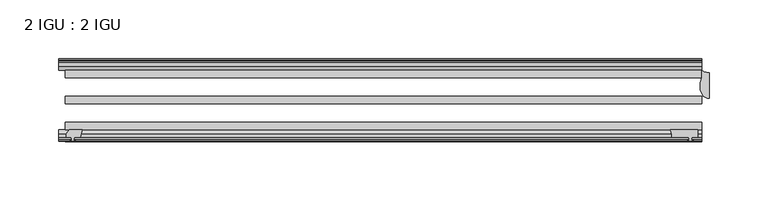
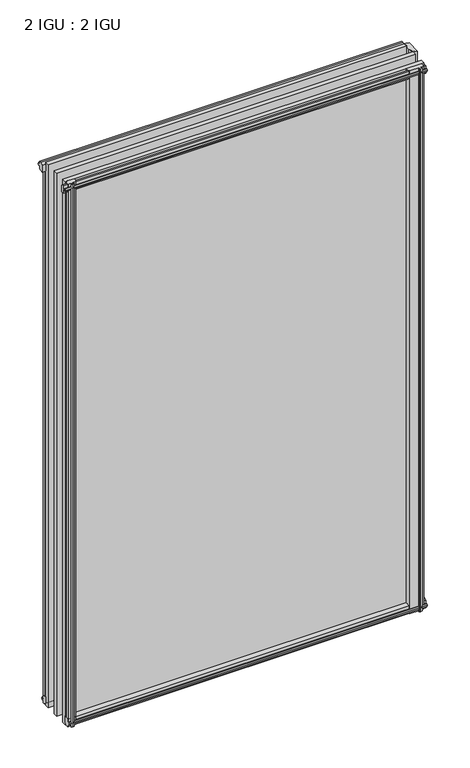
"""IFC4 building model written with IfcOpenShell, lengths in millimetres: plate geometry, 2 IGU : 2 IGU."""

from ifc_helpers import new_model, si_unit, point, frame, frame_2d, origin, origin_with_axes, place, context, project, spatial, polyline, circle_curve, ellipse_curve, trimmed, segment, composite_curve, outline, extrude, source, transform, mapped, element, save
from ifc_brep_helpers import plane_surface, cylinder_surface, revolved_surface, extruded_surface, advanced_brep


def plate_2_igu_2_igu_bca019f8(model_context):
    return source(origin(), model_context, "Body", "SolidModel", [
        extrude(outline(polyline([(-249.1072819, -69.9960936), (-250.825, -76.3460936), (-256.032, -76.3460936), (-256.413, -78.7262905), (-254.9974709, -78.2663573), (-254.9974709, -79.0675715), (-257.175, -79.7750936), (-259.3525291, -79.0675715), (-259.3525291, -78.2663573), (-257.937, -78.7262905), (-258.318, -76.3460936), (-262.763, -76.3460936), (-262.763, -73.3996936), (-259.9286578, -69.9960936), (-249.1072819, -69.9960936)])), frame((0.0, 0.0, -12.303125), z_axis=(0.0, 0.0, 1.0), x_axis=(1.0, 0.0, 0.0)), (0.0, 0.0, 1.0), 862.961825),
        advanced_brep(
        [(282.575, -21.2713143, -12.303125), (282.575, -43.2929845, -12.303125), (275.0104224, -33.7460937, -12.303125), (276.225, -25.8960937, -12.303125), (276.225, -19.5460937, -12.303125), (282.575, -21.2713143, 850.9), (276.225, -19.5460937, 850.9), (276.225, -25.8960937, 850.9), (275.0104224, -33.7460937, 850.9), (282.575, -43.2929845, 850.9)],
        [
            (0, 1),
            (1, 2, ellipse_curve(frame((282.575, -33.7460937, -12.303125), z_axis=(0.0, 0.0, -1.0), x_axis=(0.0, 1.0, 0.0)), 9.5468907, 7.5645776)),
            (2, 3, circle_curve(frame((300.9855831, -33.7460937, -12.303125), z_axis=(0.0, 0.0, -1.0), x_axis=(1.0, 0.0, 0.0)), 25.9751607)),
            (3, 4),
            (4, 0, circle_curve(frame((282.575, -8.7225169, -12.303125), z_axis=(0.0, 0.0, 1.0), x_axis=(1.0, 0.0, 0.0)), 12.5487974)),
            (5, 6, circle_curve(frame((282.575, -8.7225169, 850.9), z_axis=(0.0, 0.0, -1.0), x_axis=(1.0, 0.0, 0.0)), 12.5487974)),
            (6, 7),
            (7, 8, circle_curve(frame((300.9855831, -33.7460937, 850.9), z_axis=(0.0, 0.0, 1.0), x_axis=(1.0, 0.0, 0.0)), 25.9751607)),
            (8, 9, ellipse_curve(frame((282.575, -33.7460937, 850.9), z_axis=(0.0, 0.0, 1.0), x_axis=(0.0, 1.0, 0.0)), 9.5468907, 7.5645776)),
            (9, 5),
            (0, 5),
            (9, 1),
            (8, 2),
            (7, 3),
            (6, 4),
        ],
        [
            plane_surface(frame((282.575, -13.1960937, -12.303125), z_axis=(0.0, 0.0, -1.0), x_axis=(0.0, 1.0, 0.0))),
            plane_surface(frame((282.575, -13.1960937, 850.9), z_axis=(0.0, 0.0, 1.0), x_axis=(0.0, 1.0, 0.0))),
            plane_surface(frame((282.575, -21.2713143, -12.303125), z_axis=(1.0, 0.0, 0.0), x_axis=(0.0, 0.0, 1.0))),
            extruded_surface(trimmed(ellipse_curve(frame((282.575, -33.7460937, 850.9), z_axis=(0.0, 0.0, -1.0), x_axis=(0.0, 1.0, 0.0)), 9.5468907, 7.5645776), [point((282.575, -43.2929845, 850.9))], [point((275.0104224, -33.7460937, 850.9))], True, "CARTESIAN"), (0.0, 0.0, -863.203125), 863.203125),
            cylinder_surface(frame((300.9855831, -33.7460937, -12.303125), z_axis=(0.0, 0.0, -1.0), x_axis=(1.0, 0.0, 0.0)), 25.9751607),
            plane_surface(frame((276.225, -25.8960937, -12.303125), z_axis=(-1.0, 0.0, 0.0), x_axis=(0.0, 0.0, 1.0))),
            revolved_surface(polyline([(295.1237974, -8.7225169, 850.9), (295.1237974, -8.7225169, -12.303125)]), (282.575, -8.7225169, -12.303125), (0.0, 0.0, 1.0)),
        ],
        [
            (0, [[1, 2, 3, 4, 5]]),
            (1, [[6, 7, 8, 9, 10]]),
            (2, [[-1, 11, -10, 12]]),
            (3, [[-2, -12, -9, 13]]),
            (4, [[-3, -13, -8, 14]]),
            (5, [[-4, -14, -7, 15]]),
            (6, [[-5, -15, -6, -11]]),
        ],
    ),
        extrude(outline(composite_curve([segment(polyline([(249.8412713, -69.9960936), (273.05, -69.9960936), (273.05, -76.3460936), (267.97, -76.3460936), (267.6525, -78.4506955), (268.8711059, -78.124171), (269.0749, -78.884741), (266.7, -79.5210936), (264.3251, -78.884741), (264.5288941, -78.124171), (265.7475, -78.4506955), (265.43, -76.3460936), (250.825, -76.3460936)]), True, "CONTINUOUS"), segment(trimmed(circle_curve(frame_2d((238.4838743, -75.0067563)), 12.4135896), [point((250.825, -76.3460936))], [point((249.8412713, -69.9960936))], True, "CARTESIAN"), True, "CONTINUOUS")], self_intersect=False)), frame((0.0, 0.0, -12.4587), z_axis=(0.0, 0.0, 1.0), x_axis=(1.0, 0.0, 0.0)), (0.0, 0.0, 1.0), 863.1174),
        extrude(outline(polyline([(-19.5460937, 1.5938931), (-13.1960937, -0.123825), (-13.1960937, -5.330825), (-10.8158968, -5.711825), (-11.27583, -4.2962959), (-10.4746158, -4.2962959), (-9.7670937, -6.473825), (-10.4746158, -8.6513541), (-11.27583, -8.6513541), (-10.8158968, -7.235825), (-13.1960937, -7.616825), (-13.1960937, -12.061825), (-16.1424937, -12.061825), (-19.5460937, -9.2274828), (-19.5460937, 1.5938931)])), frame((-263.525, 0.0, 0.0), z_axis=(1.0, 0.0, 0.0), x_axis=(0.0, 1.0, 0.0)), (0.0, 0.0, 1.0), 539.75),
        extrude(outline(polyline([(-69.9960936, 2.1145931), (-69.9960936, -8.7067828), (-73.3996936, -11.541125), (-76.3460936, -11.541125), (-76.3460936, -7.096125), (-78.7262905, -6.715125), (-78.2663573, -8.1306541), (-79.0675715, -8.1306541), (-79.7750936, -5.953125), (-79.0675715, -3.7755959), (-78.2663573, -3.7755959), (-78.7262905, -5.191125), (-76.3460936, -4.810125), (-76.3460936, 0.396875), (-69.9960936, 2.1145931)])), frame((-263.525, 0.0, 0.0), z_axis=(1.0, 0.0, 0.0), x_axis=(0.0, 1.0, 0.0)), (0.0, 0.0, 1.0), 539.75),
        extrude(outline(polyline([(-10.8158968, 845.8327), (-11.27583, 847.2482291), (-10.4746158, 847.2482291), (-9.7670937, 845.0707), (-10.4746158, 842.8931709), (-11.27583, 842.8931709), (-10.8158968, 844.3087), (-13.1960937, 843.9277), (-13.1960937, 838.7207), (-19.5460937, 837.0029819), (-19.5460937, 847.8243578), (-16.1424937, 850.6587), (-13.1960937, 850.6587), (-13.1960937, 846.2137), (-10.8158968, 845.8327)])), frame((-268.8711059, 0.0, 0.0), z_axis=(1.0, 0.0, 0.0), x_axis=(0.0, 1.0, 0.0)), (0.0, 0.0, 1.0), 545.0961059),
        extrude(outline(polyline([(-76.3460936, 850.138), (-73.3996936, 850.138), (-69.9960936, 847.3036578), (-69.9960936, 836.4822819), (-76.3460936, 838.2), (-76.3460936, 843.407), (-78.7262905, 843.788), (-78.2663573, 842.3724709), (-79.0675715, 842.3724709), (-79.7750936, 844.55), (-79.0675715, 846.7275291), (-78.2663573, 846.7275291), (-78.7262905, 845.312), (-76.3460936, 845.693), (-76.3460936, 850.138)])), frame((-268.8711059, 0.0, 0.0), z_axis=(1.0, 0.0, 0.0), x_axis=(0.0, 1.0, 0.0)), (0.0, 0.0, 1.0), 545.0961059),
        extrude(outline(polyline([(-257.6957, -9.7670937), (-255.5181709, -10.4746158), (-255.5181709, -11.27583), (-256.9337, -10.8158968), (-256.5527, -13.1960937), (-251.3457, -13.1960937), (-249.6279819, -19.5460937), (-260.4493578, -19.5460937), (-263.2837, -16.1424937), (-263.2837, -13.1960937), (-258.8387, -13.1960937), (-258.4577, -10.8158968), (-259.8732291, -11.27583), (-259.8732291, -10.4746158), (-257.6957, -9.7670937)])), origin_with_axes(), (0.0, 0.0, 1.0), 838.2),
        extrude(outline(polyline([(276.225, -19.5460937), (276.225, -25.8960937), (-263.525, -25.8960937), (-263.525, -19.5460937), (276.225, -19.5460937)])), frame((0.0, 0.0, -12.303125), z_axis=(0.0, 0.0, 1.0), x_axis=(1.0, 0.0, 0.0)), (0.0, 0.0, 1.0), 863.203125),
        extrude(outline(polyline([(-263.525, -41.5960937), (276.225, -41.5960937), (276.225, -47.9460937), (-263.525, -47.9460937), (-263.525, -41.5960937)])), frame((0.0, 0.0, -12.303125), z_axis=(0.0, 0.0, 1.0), x_axis=(1.0, 0.0, 0.0)), (0.0, 0.0, 1.0), 863.203125),
        extrude(outline(polyline([(276.225, -63.6460936), (276.225, -69.9960936), (-263.525, -69.9960936), (-263.525, -63.6460936), (276.225, -63.6460936)])), frame((0.0, 0.0, -12.303125), z_axis=(0.0, 0.0, 1.0), x_axis=(1.0, 0.0, 0.0)), (0.0, 0.0, 1.0), 863.203125),
    ])


if __name__ == "__main__":
    model = new_model("IFC4")
    model_context = context("Model", 3, world=origin())
    ifc_project = project(units=[si_unit("LENGTHUNIT", "METRE", prefix="MILLI")], contexts=[model_context])
    site = spatial("IfcSite", under=ifc_project)
    building = spatial("IfcBuilding", under=site)
    placement = place(None, origin())
    plate_2_igu_2_igu_shape = plate_2_igu_2_igu_bca019f8(model_context)
    element("IfcPlate", 1, ObjectType="2 IGU : 2 IGU", at=placement, inside=building, context=model_context, shape_type="MappedRepresentation", body=[
        mapped(plate_2_igu_2_igu_shape, transform((0.0, 0.0, 0.0), x_axis=(1.0, 0.0, 0.0), y_axis=(0.0, 1.0, 0.0), z_axis=(0.0, 0.0, 1.0))),
    ])
    save(model, "model.ifc")
